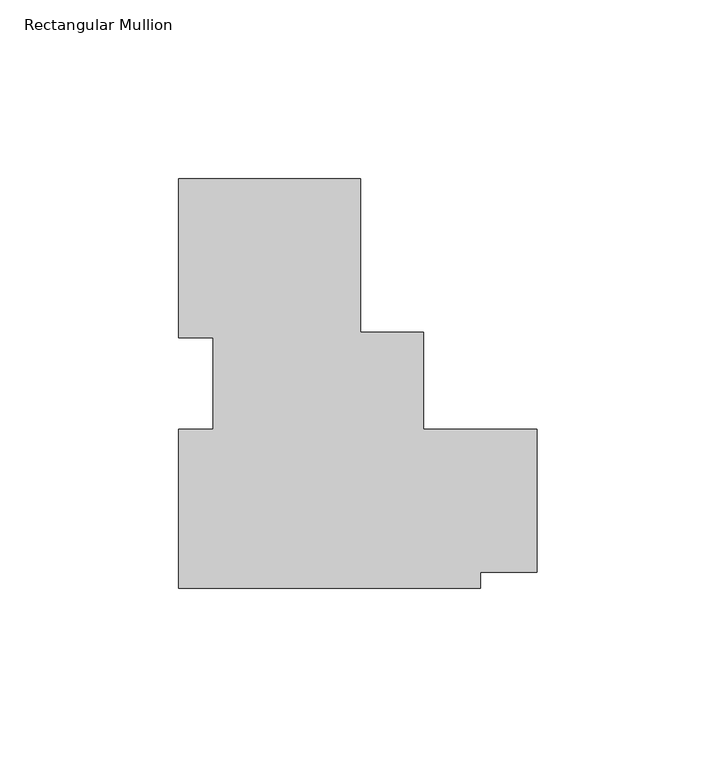
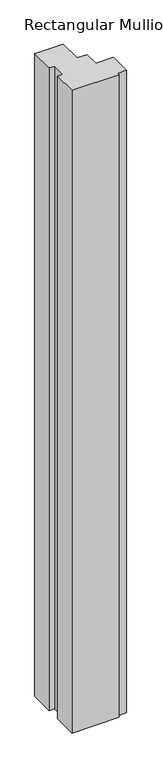
"""IFC4 building model written with IfcOpenShell, lengths in millimetres: member geometry, Rectangular Mullion."""

from ifc_helpers import new_model, si_unit, frame, origin, place, context, project, spatial, polyline, outline, extrude, source, transform, mapped, element, save


def rectangular_mullion_ed046415(model_context):
    return source(origin(), model_context, "Body", "SweptSolid", [
        extrude(outline(polyline([(23.368, 49.9272911), (23.368, 7.0647911), (40.9427311, 7.0647911), (40.9427311, -19.9302019), (72.690901, -19.9302019), (72.690901, -59.9353074), (56.8168106, -59.9353074), (56.8168106, -64.3900974), (-27.432, -64.3900974), (-27.432, -19.9628341), (-17.907, -19.9628341), (-17.907, 5.5248642), (-27.432, 5.5248642), (-27.432, 49.9272911), (23.368, 49.9272911)])), frame((0.0, 0.0, -1207.3586165), z_axis=(0.0, 0.0, 1.0), x_axis=(1.0, 0.0, 0.0)), (0.0, 0.0, 1.0), 1207.3586165),
    ])


if __name__ == "__main__":
    model = new_model("IFC4")
    model_context = context("Model", 3, world=origin())
    ifc_project = project(units=[si_unit("LENGTHUNIT", "METRE", prefix="MILLI")], contexts=[model_context])
    site = spatial("IfcSite", under=ifc_project)
    building = spatial("IfcBuilding", under=site)
    placement = place(None, origin())
    rectangular_mullion_shape = rectangular_mullion_ed046415(model_context)
    element("IfcMember", 1, ObjectType="Rectangular Mullion", at=placement, inside=building, context=model_context, shape_type="MappedRepresentation", body=[
        mapped(rectangular_mullion_shape, transform((0.0, 0.0, 0.0), x_axis=(1.0, 0.0, 0.0), y_axis=(0.0, 1.0, 0.0), z_axis=(0.0, 0.0, 1.0))),
    ])
    save(model, "model.ifc")
